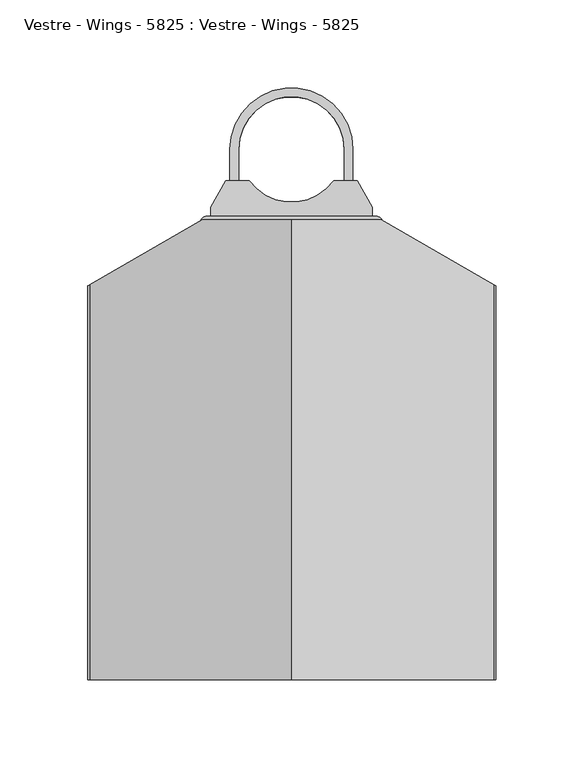
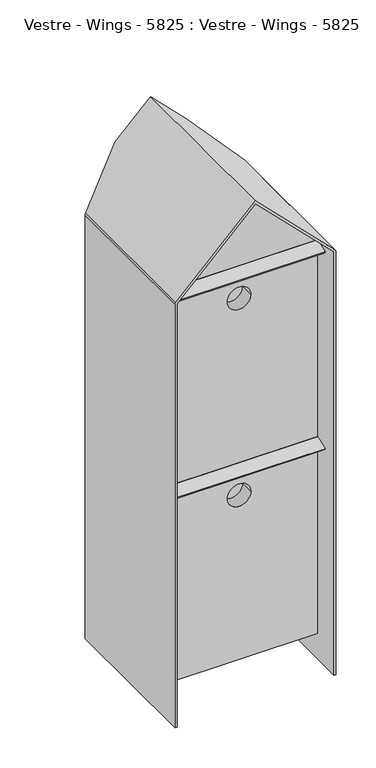
"""IFC4 building model written with IfcOpenShell, lengths in millimetres: furniture geometry, Vestre - Wings - 5825 : Vestre - Wings - 5825."""

from ifc_helpers import new_model, si_unit, point, frame, frame_2d, origin, origin_2d, place, context, project, spatial, polyline, circle_curve, ellipse_curve, trimmed, segment, composite_curve, outline, extrude, faceted_brep, source, transform, mapped, element, save
from ifc_brep_helpers import plane_surface, cylinder_surface, revolved_surface, advanced_brep


def vestre_wings_5825_vestre_wings_5825_19378a7a(model_context):
    return source(origin(), model_context, "Body", "SolidModel", [
        advanced_brep(
        [(0.2473575, -40.0, 762.3797257), (51.1269898, -40.0, 711.5000934), (51.1269898, -40.0, 707.2574528), (0.2473575, -40.0, 758.137085), (-50.6322747, -40.0, 707.2574528), (-50.6322747, -40.0, 711.5000934), (0.2473575, -302.0, 762.3797257), (-114.7181546, -302.0, 647.4142136), (-115.8897275, -302.0, 644.5857864), (-115.8897275, -302.0, 0.0), (-112.8897275, -302.0, 0.0), (-112.8897275, -302.0, 645.0), (0.2473575, -302.0, 758.137085), (113.3844425, -302.0, 645.0), (113.3844425, -302.0, 0.0), (116.3844425, -302.0, 0.0), (116.3844425, -302.0, 644.5857864), (115.2128696, -302.0, 647.4142136), (115.2128696, -77.0, 647.4142136), (116.3844425, -77.6764079, 644.5857864), (116.3844425, -77.6764079, 0.0), (113.3844425, -75.9443571, 0.0), (113.3844425, -75.9443571, 645.0), (-112.8897275, -75.9443571, 645.0), (-112.8897275, -75.9443571, 0.0), (-115.8897275, -77.6764079, 0.0), (-115.8897275, -77.6764079, 644.5857864), (-114.7181546, -77.0, 647.4142136)],
        [
            (0, 1),
            (1, 2),
            (2, 3),
            (3, 4),
            (4, 5),
            (5, 0),
            (6, 7),
            (7, 8, circle_curve(frame((-111.8897275, -302.0, 644.5857864), z_axis=(0.0, -1.0, 0.0), x_axis=(1.0, 0.0, 0.0)), 4.0)),
            (8, 9),
            (9, 10),
            (10, 11),
            (11, 12),
            (12, 13),
            (13, 14),
            (14, 15),
            (15, 16),
            (16, 17, circle_curve(frame((112.3844425, -302.0, 644.5857864), z_axis=(0.0, -1.0, 0.0), x_axis=(1.0, 0.0, 0.0)), 4.0)),
            (17, 6),
            (17, 18),
            (18, 1),
            (0, 6),
            (16, 19),
            (19, 18, ellipse_curve(frame((112.3844425, -75.3670068, 644.5857864), z_axis=(-0.499999999999997, -0.8660254037844404, 0.0), x_axis=(-0.8660254037844405, 0.499999999999997, 0.0)), 4.6188022, 4.0)),
            (15, 20),
            (20, 19),
            (14, 21),
            (21, 20),
            (13, 22),
            (22, 21),
            (12, 3),
            (2, 22),
            (11, 23),
            (23, 4),
            (10, 24),
            (24, 23),
            (9, 25),
            (25, 24),
            (8, 26),
            (26, 25),
            (7, 27),
            (27, 26, ellipse_curve(frame((-111.8897275, -75.3670068, 644.5857864), z_axis=(0.5000000000000097, -0.8660254037844333, 0.0), x_axis=(0.8660254037844335, 0.5000000000000089, 0.0)), 4.6188022, 4.0)),
            (5, 27),
        ],
        [
            plane_surface(frame((115.2128696, -40.0, 647.4142136), z_axis=(0.0, 1.0, 0.0), x_axis=(0.7071067811865454, 0.0, -0.7071067811865499))),
            plane_surface(frame((115.2128696, -302.0, 647.4142136), z_axis=(0.0, -1.0, 0.0), x_axis=(-0.7071067811865454, 0.0, 0.7071067811865499))),
            plane_surface(frame((0.2473575, -40.0, 762.3797257), z_axis=(0.7071067811865499, 0.0, 0.7071067811865452), x_axis=(0.0, -1.0, 0.0))),
            cylinder_surface(frame((112.3844425, -302.0, 644.5857864), z_axis=(0.0, 1.0, 0.0), x_axis=(1.0, 0.0, 0.0)), 4.0),
            plane_surface(frame((116.3844425, -40.0, 644.5857864), z_axis=(1.0, 0.0, 0.0), x_axis=(0.0, -1.0, 0.0))),
            plane_surface(frame((116.3844425, -40.0, 0.0), z_axis=(0.0, 0.0, -1.0), x_axis=(0.0, -1.0, 0.0))),
            plane_surface(frame((113.3844425, -40.0, 0.0), z_axis=(-1.0, 0.0, 0.0), x_axis=(0.0, -1.0, 0.0))),
            plane_surface(frame((113.3844425, -40.0, 645.0), z_axis=(-0.7071067811865491, 0.0, -0.707106781186546), x_axis=(0.0, -1.0, 0.0))),
            plane_surface(frame((0.2473575, -40.0, 758.137085), z_axis=(0.7071067811865499, 0.0, -0.7071067811865451), x_axis=(0.0, -1.0, 0.0))),
            plane_surface(frame((-112.8897275, -40.0, 645.0), z_axis=(1.0, 0.0, 0.0), x_axis=(0.0, -1.0, 0.0))),
            plane_surface(frame((-112.8897275, -40.0, 0.0), z_axis=(0.0, 0.0, -1.0), x_axis=(0.0, -1.0, 0.0))),
            plane_surface(frame((-115.8897275, -40.0, 0.0), z_axis=(-1.0, 0.0, 0.0), x_axis=(0.0, -1.0, 0.0))),
            cylinder_surface(frame((-111.8897275, -302.0, 644.5857864), z_axis=(0.0, 1.0, 0.0), x_axis=(1.0, 0.0, 0.0)), 4.0),
            plane_surface(frame((-114.7181546, -40.0, 647.4142136), z_axis=(-0.7071067811865502, 0.0, 0.7071067811865449), x_axis=(0.0, -1.0, 0.0))),
            plane_surface(frame((51.1269898, -40.0, 785.1480519), z_axis=(0.499999999999997, 0.8660254037844404, 0.0), x_axis=(0.0, 0.0, -1.0))),
            plane_surface(frame((-118.7797193, -79.3449455, 785.1480519), z_axis=(-0.5000000000000095, 0.866025403784433, 0.0), x_axis=(0.0, 0.0, -1.0))),
        ],
        [
            (0, [[1, 2, 3, 4, 5, 6]]),
            (1, [[7, 8, 9, 10, 11, 12, 13, 14, 15, 16, 17, 18]]),
            (2, [[-18, 19, 20, -1, 21]]),
            (3, [[-17, 22, 23, -19]]),
            (4, [[-16, 24, 25, -22]]),
            (5, [[-15, 26, 27, -24]]),
            (6, [[-14, 28, 29, -26]]),
            (7, [[-13, 30, -3, 31, -28]]),
            (8, [[-12, 32, 33, -4, -30]]),
            (9, [[-11, 34, 35, -32]]),
            (10, [[-10, 36, 37, -34]]),
            (11, [[-9, 38, 39, -36]]),
            (12, [[-8, 40, 41, -38]]),
            (13, [[-7, -21, -6, 42, -40]]),
            (14, [[-2, -20, -23, -25, -27, -29, -31]]),
            (15, [[-5, -33, -35, -37, -39, -41, -42]]),
        ],
    ),
        advanced_brep(
        [(-112.8897275, -101.9679492, 645.0), (0.2473575, -101.9679492, 758.137085), (113.3844425, -101.9679492, 645.0), (113.3844425, -101.9679492, 40.0), (-112.8897275, -101.9679492, 40.0), (-112.8897275, -262.0, 645.0), (-112.8897275, -262.0, 40.0), (113.3844425, -262.0, 40.0), (113.3844425, -262.0, 645.0), (0.2473575, -262.0, 758.137085), (-16.97698, -262.0, 289.9878302), (16.97698, -262.0, 289.9878302), (-16.97698, -262.0, 589.9878302), (16.97698, -262.0, 589.9878302), (-112.8897275, -125.1055026, 645.0), (0.2473575, -125.1055026, 758.137085), (113.3844425, -125.1055026, 645.0), (-16.97698, -242.0, 289.9878302), (16.97698, -242.0, 289.9878302), (-16.97698, -242.0, 589.9878302), (16.97698, -242.0, 589.9878302), (100.0, -122.0, 639.6096834), (-100.0, -122.0, 639.6096834), (-100.0, -122.0, 60.0), (100.0, -122.0, 60.0), (100.0, -242.0, 639.6096834), (100.0, -242.0, 60.0), (-100.0, -242.0, 60.0), (-100.0, -242.0, 639.6096834)],
        [
            (0, 1),
            (1, 2),
            (2, 3),
            (3, 4),
            (4, 0),
            (5, 6),
            (6, 7),
            (7, 8),
            (8, 9),
            (9, 5),
            (10, 11, circle_curve(frame((0.0, -262.0, 289.9878302), z_axis=(0.0, 1.0, 0.0), x_axis=(1.0, 0.0, 0.0)), 16.97698)),
            (11, 10, circle_curve(frame((0.0, -262.0, 289.9878302), z_axis=(0.0, 1.0, 0.0), x_axis=(1.0, 0.0, 0.0)), 16.97698)),
            (12, 13, circle_curve(frame((0.0, -262.0, 589.9878302), z_axis=(0.0, 1.0, 0.0), x_axis=(1.0, 0.0, 0.0)), 16.97698)),
            (13, 12, circle_curve(frame((0.0, -262.0, 589.9878302), z_axis=(0.0, 1.0, 0.0), x_axis=(1.0, 0.0, 0.0)), 16.97698)),
            (0, 14),
            (14, 5),
            (9, 15),
            (15, 1),
            (8, 16),
            (16, 2),
            (7, 3),
            (6, 4),
            (10, 17),
            (17, 18, circle_curve(frame((0.0, -242.0, 289.9878302), z_axis=(0.0, 1.0, 0.0), x_axis=(1.0, 0.0, 0.0)), 16.97698)),
            (18, 11),
            (18, 17, circle_curve(frame((0.0, -242.0, 289.9878302), z_axis=(0.0, 1.0, 0.0), x_axis=(1.0, 0.0, 0.0)), 16.97698)),
            (12, 19),
            (19, 20, circle_curve(frame((0.0, -242.0, 589.9878302), z_axis=(0.0, 1.0, 0.0), x_axis=(1.0, 0.0, 0.0)), 16.97698)),
            (20, 13),
            (20, 19, circle_curve(frame((0.0, -242.0, 589.9878302), z_axis=(0.0, 1.0, 0.0), x_axis=(1.0, 0.0, 0.0)), 16.97698)),
            (21, 22),
            (22, 23),
            (23, 24),
            (24, 21),
            (25, 26),
            (26, 27),
            (27, 28),
            (28, 25),
            (24, 26),
            (25, 21),
            (23, 27),
            (22, 28),
        ],
        [
            plane_surface(frame((0.2473575, -101.9679492, 758.137085), z_axis=(0.0, 1.0000000000000002, 0.0), x_axis=(0.7071067811865444, 0.0, 0.7071067811865509))),
            plane_surface(frame((0.2473575, -262.0, 758.137085), z_axis=(0.0, -1.0000000000000002, 0.0), x_axis=(-0.7071067811865444, 0.0, -0.7071067811865509))),
            plane_surface(frame((-112.8897275, -101.9679492, 645.0), z_axis=(-0.707106781186551, 0.0, 0.7071067811865442), x_axis=(0.0, -1.0, 0.0))),
            plane_surface(frame((0.2473575, -101.9679492, 758.137085), z_axis=(0.7071067811865508, 0.0, 0.7071067811865444), x_axis=(0.0, -1.0, 0.0))),
            plane_surface(frame((113.3844425, -101.9679492, 645.0), z_axis=(1.0, 0.0, 0.0), x_axis=(0.0, -1.0, 0.0))),
            plane_surface(frame((113.3844425, -101.9679492, 40.0), z_axis=(0.0, 0.0, -1.0), x_axis=(0.0, -1.0, 0.0))),
            plane_surface(frame((-112.8897275, -101.9679492, 40.0), z_axis=(-1.0, 0.0, 0.0), x_axis=(0.0, -1.0, 0.0))),
            revolved_surface(polyline([(16.97698, -242.0, 289.9878302), (16.97698, -262.0, 289.9878302)]), (0.0, -316.8289104, 289.9878302), (0.0, 1.0, 0.0)),
            revolved_surface(polyline([(16.97698, -242.0, 589.9878302), (16.97698, -262.0, 589.9878302)]), (0.0, 0.0, 589.9878302), (0.0, 1.0, 0.0)),
            plane_surface(frame((100.0, -122.0, 639.6096834), z_axis=(0.0, -1.0, 0.0), x_axis=(0.0, 0.0, -1.0))),
            plane_surface(frame((100.0, -242.0, 639.6096834), z_axis=(0.0, 1.0, 0.0), x_axis=(0.0, 0.0, 1.0))),
            plane_surface(frame((100.0, -122.0, 639.6096834), z_axis=(-1.0, 0.0, 0.0), x_axis=(0.0, -1.0, 0.0))),
            plane_surface(frame((100.0, -122.0, 60.0), z_axis=(0.0, 0.0, 1.0), x_axis=(0.0, -1.0, 0.0))),
            plane_surface(frame((-100.0, -122.0, 60.0), z_axis=(1.0, 0.0, 0.0), x_axis=(0.0, -1.0, 0.0))),
            plane_surface(frame((-100.0, -122.0, 639.6096834), z_axis=(0.0, 0.0, -1.0), x_axis=(0.0, -1.0, 0.0))),
        ],
        [
            (0, [[1, 2, 3, 4, 5]]),
            (1, [[6, 7, 8, 9, 10], [11, 12], [13, 14]]),
            (2, [[-1, 15, 16, -10, 17, 18]]),
            (3, [[-2, -18, -17, -9, 19, 20]]),
            (4, [[-3, -20, -19, -8, 21]]),
            (5, [[-4, -21, -7, 22]]),
            (6, [[-5, -22, -6, -16, -15]]),
            (7, [[-11, 23, 24, 25]]),
            (7, [[-12, -25, 26, -23]]),
            (8, [[-13, 27, 28, 29]]),
            (8, [[-14, -29, 30, -27]]),
            (9, [[31, 32, 33, 34]]),
            (10, [[35, 36, 37, 38], [-24, -26], [-28, -30]]),
            (11, [[-34, 39, -35, 40]]),
            (12, [[-33, 41, -36, -39]]),
            (13, [[-32, 42, -37, -41]]),
            (14, [[-31, -40, -38, -42]]),
        ],
    ),
        faceted_brep([(43.3844425, -47.0, 715.0), (-42.8897275, -47.0, 715.0), (-42.8897275, -50.0, 715.0), (43.3844425, -50.0, 715.0), (113.3844425, -80.8215223, 0.0), (113.3844425, -100.2679492, 0.0), (109.8897275, -100.2679492, 0.0), (109.8897275, -82.2679492, 0.0), (54.0, -50.0, 0.0), (-54.0, -50.0, 0.0), (-109.8897275, -82.2679492, 0.0), (-109.8897275, -100.2679492, 0.0), (-112.8897275, -100.2679492, 0.0), (-112.8897275, -80.5358984, 0.0), (-54.8038476, -47.0, 0.0), (54.8038476, -47.0, 0.0), (54.8038476, -47.0, 703.5805949), (113.3844425, -80.8215223, 645.0), (-54.8038476, -47.0, 703.0858799), (-112.8897275, -80.5358984, 645.0), (-112.8897275, -100.2679492, 645.0), (-109.8897275, -100.2679492, 648.0), (-109.8897275, -82.2679492, 648.0), (-54.0, -50.0, 703.8897275), (54.0, -50.0, 704.3844425), (109.8897275, -82.2679492, 648.4947151), (109.8897275, -100.2679492, 648.4947151), (113.3844425, -100.2679492, 645.0)], [[[0, 1, 2, 3]], [[4, 5, 6, 7, 8, 9, 10, 11, 12, 13, 14, 15]], [[4, 15, 16, 17]], [[15, 14, 18, 1, 0, 16]], [[14, 13, 19, 18]], [[13, 12, 20, 19]], [[12, 11, 21, 20]], [[11, 10, 22, 21]], [[10, 9, 23, 22]], [[9, 8, 24, 3, 2, 23]], [[8, 7, 25, 24]], [[7, 6, 26, 25]], [[6, 5, 27, 26]], [[5, 4, 17, 27]], [[0, 3, 24, 25, 26, 27, 17, 16]], [[2, 1, 18, 19, 20, 21, 22, 23]]]),
        extrude(outline(composite_curve([segment(polyline([(37.4575131, -17.9679492), (46.0, -32.9679492), (46.0, -37.9679492), (-46.0, -37.9679492), (-46.0, -32.9679492), (-37.4575131, -17.9679492), (-24.0240047, -17.9679492)]), True, "CONTINUOUS"), segment(trimmed(circle_curve(origin_2d(), 30.0), [point((-24.0240047, -17.9679492))], [point((24.0240047, -17.9679492))], True, "CARTESIAN"), True, "CONTINUOUS"), segment(polyline([(24.0240047, -17.9679492), (37.4575131, -17.9679492)]), True, "CONTINUOUS")], self_intersect=False)), frame((0.0, 0.0, 46.6096834), z_axis=(0.0, 0.0, 1.0), x_axis=(1.0, 0.0, 0.0)), (0.0, 0.0, 1.0), 16.0),
        extrude(outline(composite_curve([segment(polyline([(-30.0, 0.0), (-30.0, -37.9679492), (-35.0, -37.9679492), (-35.0, 0.0)]), True, "CONTINUOUS"), segment(trimmed(circle_curve(origin_2d(), 35.0), [point((-35.0, 0.0))], [point((35.0, 0.0))], False, "CARTESIAN"), True, "CONTINUOUS"), segment(polyline([(35.0, 0.0), (35.0, -37.9679492), (30.0, -37.9679492), (30.0, 0.0)]), True, "CONTINUOUS"), segment(trimmed(circle_curve(origin_2d(), 30.0), [point((30.0, 0.0))], [point((-30.0, 0.0))], True, "CARTESIAN"), True, "CONTINUOUS")], self_intersect=False)), frame((0.0, 0.0, 50.6092537), z_axis=(0.0, 0.0, 1.0), x_axis=(1.0, 0.0, 0.0)), (0.0, 0.0, 1.0), 7.9898167),
        extrude(outline(composite_curve([segment(polyline([(-48.0, -37.9679492), (48.0, -37.9679492)]), True, "CONTINUOUS"), segment(trimmed(circle_curve(frame_2d((48.0, -41.9679492)), 4.0), [point((48.0, -37.9679492))], [point((52.0, -41.9679492))], False, "CARTESIAN"), True, "CONTINUOUS"), segment(polyline([(52.0, -41.9679492), (52.0, -46.9573163), (-52.0, -46.9573163), (-52.0, -41.9679492)]), True, "CONTINUOUS"), segment(trimmed(circle_curve(frame_2d((-48.0, -41.9679492)), 4.0), [point((-52.0, -41.9679492))], [point((-48.0, -37.9679492))], False, "CARTESIAN"), True, "CONTINUOUS")], self_intersect=False)), frame((0.0, 0.0, 25.0096834), z_axis=(0.0, 0.0, 1.0), x_axis=(1.0, 0.0, 0.0)), (0.0, 0.0, 1.0), 77.0),
        extrude(outline(composite_curve([segment(polyline([(37.4575131, -17.9679492), (46.0, -32.9679492), (46.0, -37.9679492), (-46.0, -37.9679492), (-46.0, -32.9679492), (-37.4575131, -17.9679492), (-24.0240047, -17.9679492)]), True, "CONTINUOUS"), segment(trimmed(circle_curve(origin_2d(), 30.0), [point((-24.0240047, -17.9679492))], [point((24.0240047, -17.9679492))], True, "CARTESIAN"), True, "CONTINUOUS"), segment(polyline([(24.0240047, -17.9679492), (37.4575131, -17.9679492)]), True, "CONTINUOUS")], self_intersect=False)), frame((0.0, 0.0, 551.6096834), z_axis=(0.0, 0.0, 1.0), x_axis=(1.0, 0.0, 0.0)), (0.0, 0.0, 1.0), 16.0),
        extrude(outline(composite_curve([segment(polyline([(-30.0, 0.0), (-30.0, -37.9679492), (-35.0, -37.9679492), (-35.0, 0.0)]), True, "CONTINUOUS"), segment(trimmed(circle_curve(origin_2d(), 35.0), [point((-35.0, 0.0))], [point((35.0, 0.0))], False, "CARTESIAN"), True, "CONTINUOUS"), segment(polyline([(35.0, 0.0), (35.0, -37.9679492), (30.0, -37.9679492), (30.0, 0.0)]), True, "CONTINUOUS"), segment(trimmed(circle_curve(origin_2d(), 30.0), [point((30.0, 0.0))], [point((-30.0, 0.0))], True, "CARTESIAN"), True, "CONTINUOUS")], self_intersect=False)), frame((0.0, 0.0, 555.6092537), z_axis=(0.0, 0.0, 1.0), x_axis=(1.0, 0.0, 0.0)), (0.0, 0.0, 1.0), 7.9898167),
        extrude(outline(composite_curve([segment(polyline([(-48.0, -37.9679492), (48.0, -37.9679492)]), True, "CONTINUOUS"), segment(trimmed(circle_curve(frame_2d((48.0, -41.9679492)), 4.0), [point((48.0, -37.9679492))], [point((52.0, -41.9679492))], False, "CARTESIAN"), True, "CONTINUOUS"), segment(polyline([(52.0, -41.9679492), (52.0, -47.2380311), (-52.0, -47.2380311), (-52.0, -41.9679492)]), True, "CONTINUOUS"), segment(trimmed(circle_curve(frame_2d((-48.0, -41.9679492)), 4.0), [point((-52.0, -41.9679492))], [point((-48.0, -37.9679492))], False, "CARTESIAN"), True, "CONTINUOUS")], self_intersect=False)), frame((0.0, 0.0, 543.1096834), z_axis=(0.0, 0.0, 1.0), x_axis=(1.0, 0.0, 0.0)), (0.0, 0.0, 1.0), 96.5005892),
        extrude(outline(composite_curve([segment(polyline([(-280.7938524, 331.1595971), (-281.4778927, 333.0389824), (-262.7425717, 339.8580815)]), True, "CONTINUOUS"), segment(trimmed(circle_curve(frame_2d((-261.9377121, 337.6467479)), 2.3532521), [point((-262.7425717, 339.8580815))], [point((-261.9377121, 340.0))], False, "CARTESIAN"), True, "CONTINUOUS"), segment(polyline([(-261.9377121, 340.0), (-255.3769496, 340.0), (-255.3769496, 338.0), (-261.4710191, 338.0)]), True, "CONTINUOUS"), segment(trimmed(circle_curve(frame_2d((-261.4710191, 335.0)), 3.0), [point((-261.4710191, 338.0))], [point((-262.4970795, 337.8190779))], True, "CARTESIAN"), True, "CONTINUOUS"), segment(polyline([(-262.4970795, 337.8190779), (-280.7938524, 331.1595971)]), True, "CONTINUOUS")], self_intersect=False)), frame((-112.8897275, 0.0, 0.0), z_axis=(1.0, 0.0, 0.0), x_axis=(0.0, 1.0, 0.0)), (0.0, 0.0, 1.0), 226.27417),
        extrude(outline(composite_curve([segment(polyline([(-280.7938524, 631.1595971), (-281.4778927, 633.0389824), (-262.7425717, 639.8580815)]), True, "CONTINUOUS"), segment(trimmed(circle_curve(frame_2d((-261.9377121, 637.6467479)), 2.3532521), [point((-262.7425717, 639.8580815))], [point((-261.9377121, 640.0))], False, "CARTESIAN"), True, "CONTINUOUS"), segment(polyline([(-261.9377121, 640.0), (-255.3769496, 640.0), (-255.3769496, 638.0), (-261.4710191, 638.0)]), True, "CONTINUOUS"), segment(trimmed(circle_curve(frame_2d((-261.4710191, 635.0)), 3.0), [point((-261.4710191, 638.0))], [point((-262.4970795, 637.8190779))], True, "CARTESIAN"), True, "CONTINUOUS"), segment(polyline([(-262.4970795, 637.8190779), (-280.7938524, 631.1595971)]), True, "CONTINUOUS")], self_intersect=False)), frame((-112.8897275, 0.0, 0.0), z_axis=(1.0, 0.0, 0.0), x_axis=(0.0, 1.0, 0.0)), (0.0, 0.0, 1.0), 226.27417),
    ])


if __name__ == "__main__":
    model = new_model("IFC4")
    model_context = context("Model", 3, world=origin())
    ifc_project = project(units=[si_unit("LENGTHUNIT", "METRE", prefix="MILLI")], contexts=[model_context])
    site = spatial("IfcSite", under=ifc_project)
    building = spatial("IfcBuilding", under=site)
    placement = place(None, origin())
    vestre_wings_5825_vestre_wings_5825_shape = vestre_wings_5825_vestre_wings_5825_19378a7a(model_context)
    element("IfcFurniture", 1, ObjectType="Vestre - Wings - 5825 : Vestre - Wings - 5825", at=placement, inside=building, context=model_context, shape_type="MappedRepresentation", body=[
        mapped(vestre_wings_5825_vestre_wings_5825_shape, transform((0.0, 0.0, 0.0), x_axis=(1.0, 0.0, 0.0), y_axis=(0.0, 1.0, 0.0), z_axis=(0.0, 0.0, 1.0))),
    ])
    save(model, "model.ifc")
